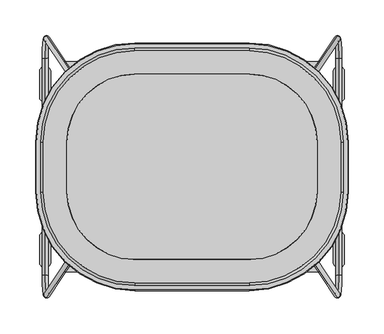
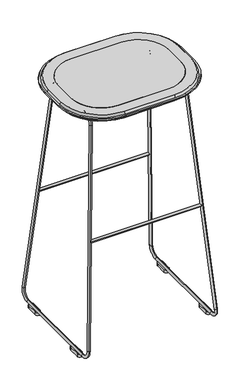
"""IFC4 building model written with IfcOpenShell, lengths in millimetres: furniture geometry."""

from ifc_helpers import new_model, si_unit, point, frame, frame_2d, origin, origin_with_axes, place, context, project, spatial, polyline, circle_curve, ellipse_curve, trimmed, segment, composite_curve, outline, extrude, source, transform, mapped, element, save
from ifc_brep_helpers import plane_surface, cylinder_surface, revolved_surface, advanced_brep


def furniture_3ec42018(model_context):
    return source(origin(), model_context, "Body", "SolidModel", [
        advanced_brep(
        [(-152.2219568, 73.8518427, 767.2896891), (-151.7075535, 73.8518427, 775.2105032), (152.2243044, 73.8518427, 767.2896891), (151.7099011, 73.8518427, 775.2105032)],
        [
            (0, 1, circle_curve(frame((-151.9647551, 73.8518427, 771.2500961), z_axis=(-0.9978978351611841, 0.0, 0.06480671709492986), x_axis=(0.06480671709492986, 0.0, 0.9978978351611841)), 3.96875)),
            (1, 0, circle_curve(frame((-151.9647551, 73.8518427, 771.2500961), z_axis=(-0.9978978351611841, 0.0, 0.06480671709492986), x_axis=(0.06480671709492986, 0.0, 0.9978978351611841)), 3.96875)),
            (2, 3, circle_curve(frame((151.9671028, 73.8518427, 771.2500961), z_axis=(0.9978978351611819, 0.0, 0.06480671709496476), x_axis=(-0.06480671709496476, 0.0, 0.9978978351611819)), 3.96875)),
            (3, 2, circle_curve(frame((151.9671028, 73.8518427, 771.2500961), z_axis=(0.9978978351611819, 0.0, 0.06480671709496476), x_axis=(-0.06480671709496476, 0.0, 0.9978978351611819)), 3.96875)),
            (3, 1, circle_curve(frame((0.0011738, 73.8518427, 3111.2308621), z_axis=(0.0, 1.0, 0.0), x_axis=(-0.06480671709492986, 0.0, -0.9978978351611841)), 2340.9414036)),
            (0, 2, circle_curve(frame((0.0011738, 73.8518427, 3111.2308621), z_axis=(0.0, -1.0, 0.0), x_axis=(-0.06480671709492986, 0.0, -0.9978978351611841)), 2348.8789036)),
        ],
        [
            plane_surface(frame((-152.2223582, 0.0, 767.2835074), z_axis=(-0.9978978351611841, 0.0, 0.06480671709492986), x_axis=(0.0, -1.0, 0.0))),
            plane_surface(frame((152.2247059, 0.0, 767.2835074), z_axis=(0.9978978351611818, 0.0, 0.06480671709496476), x_axis=(0.0, -1.0, 0.0))),
            revolved_surface(trimmed(ellipse_curve(frame((-151.9647551, 73.8518427, 771.2500961), z_axis=(-0.9978978351611841, 0.0, 0.06480671709492986), x_axis=(0.06480671709492986, 0.0, 0.9978978351611841)), 3.96875, 3.96875), [point((-152.2219568, 73.8518427, 767.2896891))], [point((-151.7075535, 73.8518427, 775.2105032))], True, "CARTESIAN"), (0.0011738, 0.0, 3111.2308621), (0.0, -1.0, 0.0)),
            revolved_surface(trimmed(ellipse_curve(frame((-151.9647551, 73.8518427, 771.2500961), z_axis=(-0.9978978351611841, 0.0, 0.06480671709492986), x_axis=(0.06480671709492986, 0.0, 0.9978978351611841)), 3.96875, 3.96875), [point((-151.7075535, 73.8518427, 775.2105032))], [point((-152.2219568, 73.8518427, 767.2896891))], True, "CARTESIAN"), (0.0011738, 0.0, 3111.2308621), (0.0, -1.0, 0.0)),
        ],
        [
            (0, [[1, 2]]),
            (1, [[3, 4]]),
            (2, [[5, -1, 6, -4]]),
            (3, [[-6, -2, -5, -3]]),
        ],
    ),
        advanced_brep(
        [(-152.2219568, -73.8518427, 767.2896891), (-151.7075535, -73.8518427, 775.2105032), (152.2243044, -73.8518427, 767.2896891), (151.7099011, -73.8518427, 775.2105032)],
        [
            (0, 1, circle_curve(frame((-151.9647551, -73.8518427, 771.2500961), z_axis=(-0.9978978351611841, 0.0, 0.06480671709492986), x_axis=(0.06480671709492986, 0.0, 0.9978978351611841)), 3.96875)),
            (1, 0, circle_curve(frame((-151.9647551, -73.8518427, 771.2500961), z_axis=(-0.9978978351611841, 0.0, 0.06480671709492986), x_axis=(0.06480671709492986, 0.0, 0.9978978351611841)), 3.96875)),
            (2, 3, circle_curve(frame((151.9671028, -73.8518427, 771.2500961), z_axis=(0.9978978351611819, 0.0, 0.06480671709496476), x_axis=(-0.06480671709496476, 0.0, 0.9978978351611819)), 3.96875)),
            (3, 2, circle_curve(frame((151.9671028, -73.8518427, 771.2500961), z_axis=(0.9978978351611819, 0.0, 0.06480671709496476), x_axis=(-0.06480671709496476, 0.0, 0.9978978351611819)), 3.96875)),
            (3, 1, circle_curve(frame((0.0011738, -73.8518427, 3111.2308621), z_axis=(0.0, 1.0, 0.0), x_axis=(-0.06480671709492986, 0.0, -0.9978978351611841)), 2340.9414036)),
            (0, 2, circle_curve(frame((0.0011738, -73.8518427, 3111.2308621), z_axis=(0.0, -1.0, 0.0), x_axis=(-0.06480671709492986, 0.0, -0.9978978351611841)), 2348.8789036)),
        ],
        [
            plane_surface(frame((-152.2223582, 0.0, 767.2835074), z_axis=(-0.9978978351611841, 0.0, 0.06480671709492986), x_axis=(0.0, -1.0, 0.0))),
            plane_surface(frame((152.2247059, 0.0, 767.2835074), z_axis=(0.9978978351611818, 0.0, 0.06480671709496476), x_axis=(0.0, -1.0, 0.0))),
            revolved_surface(trimmed(ellipse_curve(frame((-151.9647551, -73.8518427, 771.2500961), z_axis=(-0.9978978351611841, 0.0, 0.06480671709492986), x_axis=(0.06480671709492986, 0.0, 0.9978978351611841)), 3.96875, 3.96875), [point((-152.2219568, -73.8518427, 767.2896891))], [point((-151.7075535, -73.8518427, 775.2105032))], True, "CARTESIAN"), (0.0011738, 0.0, 3111.2308621), (0.0, -1.0, 0.0)),
            revolved_surface(trimmed(ellipse_curve(frame((-151.9647551, -73.8518427, 771.2500961), z_axis=(-0.9978978351611841, 0.0, 0.06480671709492986), x_axis=(0.06480671709492986, 0.0, 0.9978978351611841)), 3.96875, 3.96875), [point((-151.7075535, -73.8518427, 775.2105032))], [point((-152.2219568, -73.8518427, 767.2896891))], True, "CARTESIAN"), (0.0011738, 0.0, 3111.2308621), (0.0, -1.0, 0.0)),
        ],
        [
            (0, [[1, 2]]),
            (1, [[3, 4]]),
            (2, [[5, -1, 6, -4]]),
            (3, [[-6, -2, -5, -3]]),
        ],
    ),
        advanced_brep(
        [(203.260303, -175.4787441, 41.2943989), (205.1160044, -152.1003304, 15.3464097), (205.6999446, -152.1003304, 7.1812623), (203.1981559, -183.618253, 42.1633927), (153.1665218, -108.5468838, 741.7480958), (153.228669, -100.4073749, 740.879102), (151.3252048, -70.715026, 767.4949508), (150.7412646, -70.715026, 775.6600981), (150.7412646, 70.715026, 775.6600981), (151.3252048, 70.715026, 767.4949508), (153.228669, 100.4073749, 740.879102), (153.1665218, 108.5468838, 741.7480958), (203.1981559, 183.618253, 42.1633927), (203.260303, 175.4787441, 41.2943989), (205.1160044, 152.1003304, 15.3464097), (205.6999446, 152.1003304, 7.1812623)],
        [
            (0, 1, circle_curve(frame((203.4388028, -152.1003304, 38.7984626), z_axis=(0.9974524850554426, 0.0, 0.07133400350970177), x_axis=(0.07133400350970177, 0.0, -0.9974524850554426)), 23.5119499)),
            (1, 2, circle_curve(frame((205.4079745, -152.1003304, 11.263836), z_axis=(0.0, -1.0, 0.0), x_axis=(0.07133400350970176, 0.0, -0.9974524850554426)), 4.0930007)),
            (2, 3, circle_curve(frame((203.4388028, -152.1003304, 38.7984626), z_axis=(-0.9974524850554426, 0.0, -0.07133400350970177), x_axis=(0.07133400350970177, 0.0, -0.9974524850554426)), 31.6979512)),
            (3, 0, circle_curve(frame((203.2292294, -179.5484985, 41.7288958), z_axis=(0.07092886182656054, -0.10642720112781383, -0.9917874507272658), x_axis=(-0.0075918783387792215, -0.9943204970531886, 0.1061560762424333)), 4.0930007)),
            (2, 1, circle_curve(frame((205.4079745, -152.1003304, 11.263836), z_axis=(0.0, -1.0, 0.0), x_axis=(0.07133400350970176, 0.0, -0.9974524850554426)), 4.0930007)),
            (0, 3, circle_curve(frame((203.2292294, -179.5484985, 41.7288958), z_axis=(0.07092886182656054, -0.10642720112781427, -0.9917874507272657), x_axis=(-0.007591878338779254, -0.9943204970531885, 0.10615607624243374)), 4.0930007)),
            (3, 4),
            (4, 5, circle_curve(frame((153.1975954, -104.4771293, 741.3135989), z_axis=(0.07092886182656041, -0.1064272011278203, -0.9917874507272652), x_axis=(-0.007591878338779707, -0.9943204970531878, 0.10615607624243974)), 4.0930007)),
            (5, 0),
            (5, 4, circle_curve(frame((153.1975954, -104.4771293, 741.3135989), z_axis=(0.07092886182656041, -0.1064272011278203, -0.9917874507272652), x_axis=(-0.007591878338779707, -0.9943204970531878, 0.10615607624243974)), 4.0930007)),
            (6, 5, circle_curve(frame((153.4553773, -70.715026, 737.7090746), z_axis=(0.9974524850554426, 0.0, 0.07133400350970177), x_axis=(-0.0075918783387791365, -0.9943204970531886, 0.10615607624243231)), 29.8619499)),
            (4, 7, circle_curve(frame((153.4553773, -70.715026, 737.7090746), z_axis=(-0.9974524850554426, 0.0, -0.07133400350970177), x_axis=(-0.0075918783387791365, -0.9943204970531886, 0.10615607624243231)), 38.0479512)),
            (7, 6, circle_curve(frame((151.0332347, -70.715026, 771.5775244), z_axis=(0.0, -1.0, 0.0), x_axis=(-0.07133400350970182, 0.0, 0.9974524850554426)), 4.0930007)),
            (6, 7, circle_curve(frame((151.0332347, -70.715026, 771.5775244), z_axis=(0.0, -1.0, 0.0), x_axis=(-0.07133400350970182, 0.0, 0.9974524850554425)), 4.0930007)),
            (7, 8),
            (8, 9, circle_curve(frame((151.0332347, 70.715026, 771.5775244), z_axis=(0.0, -1.0, 0.0), x_axis=(-0.07133400350970182, 0.0, 0.9974524850554426)), 4.0930007)),
            (9, 6),
            (9, 8, circle_curve(frame((151.0332347, 70.715026, 771.5775244), z_axis=(0.0, -1.0, 0.0), x_axis=(-0.07133400350970182, 0.0, 0.9974524850554426)), 4.0930007)),
            (10, 9, circle_curve(frame((153.4553773, 70.715026, 737.7090746), z_axis=(0.9974524850554426, 0.0, 0.07133400350970177), x_axis=(-0.07133400350970177, 0.0, 0.9974524850554426)), 29.8619499)),
            (8, 11, circle_curve(frame((153.4553773, 70.715026, 737.7090746), z_axis=(-0.9974524850554426, 0.0, -0.07133400350970177), x_axis=(-0.07133400350970177, 0.0, 0.9974524850554426)), 38.0479512)),
            (11, 10, circle_curve(frame((153.1975954, 104.4771293, 741.3135989), z_axis=(-0.07092886182656048, -0.10642720112782901, 0.9917874507272642), x_axis=(-0.007591878338780332, 0.9943204970531869, 0.10615607624244844)), 4.0930007)),
            (10, 11, circle_curve(frame((153.1975954, 104.4771293, 741.3135989), z_axis=(-0.07092886182656048, -0.10642720112782857, 0.9917874507272642), x_axis=(-0.0075918783387803005, 0.9943204970531869, 0.106156076242448)), 4.0930007)),
            (11, 12),
            (12, 13, circle_curve(frame((203.2292294, 179.5484985, 41.7288958), z_axis=(-0.07092886182656048, -0.10642720112782057, 0.991787450727265), x_axis=(-0.007591878338779721, 0.9943204970531878, 0.10615607624244003)), 4.0930007)),
            (13, 10),
            (13, 12, circle_curve(frame((203.2292294, 179.5484985, 41.7288958), z_axis=(-0.07092886182656048, -0.10642720112782057, 0.991787450727265), x_axis=(-0.007591878338779721, 0.9943204970531878, 0.10615607624244003)), 4.0930007)),
            (14, 13, circle_curve(frame((203.4388028, 152.1003304, 38.7984626), z_axis=(0.9974524850554426, 0.0, 0.07133400350970177), x_axis=(-0.007591878338779681, 0.9943204970531878, 0.10615607624243992)), 23.5119499)),
            (12, 15, circle_curve(frame((203.4388028, 152.1003304, 38.7984626), z_axis=(-0.9974524850554426, 0.0, -0.07133400350970177), x_axis=(-0.007591878338779681, 0.9943204970531878, 0.10615607624243992)), 31.6979512)),
            (15, 14, circle_curve(frame((205.4079745, 152.1003304, 11.263836), z_axis=(0.0, 1.0, 0.0), x_axis=(0.07133400350970173, 0.0, -0.9974524850554426)), 4.0930007)),
            (14, 15, circle_curve(frame((205.4079745, 152.1003304, 11.263836), z_axis=(0.0, 1.0, 0.0), x_axis=(0.07133400350970172, 0.0, -0.9974524850554426)), 4.0930007)),
            (15, 2),
            (1, 14),
        ],
        [
            revolved_surface(trimmed(ellipse_curve(frame((205.4079745, -152.1003304, 11.263836), z_axis=(0.0, 1.0, 0.0), x_axis=(0.07133400350970176, 0.0, -0.9974524850554426)), 4.0930007, 4.0930007), [point((205.6999446, -152.1003304, 7.1812623))], [point((205.1160044, -152.1003304, 15.3464097))], True, "CARTESIAN"), (204.0252812, -152.1003304, 38.8404053), (-0.9974524850554426, 0.0, -0.07133400350970177)),
            revolved_surface(trimmed(ellipse_curve(frame((205.4079745, -152.1003304, 11.263836), z_axis=(0.0, 1.0, 0.0), x_axis=(0.07133400350970176, 0.0, -0.9974524850554426)), 4.0930007, 4.0930007), [point((205.1160044, -152.1003304, 15.3464097))], [point((205.6999446, -152.1003304, 7.1812623))], True, "CARTESIAN"), (204.0252812, -152.1003304, 38.8404053), (-0.9974524850554426, 0.0, -0.07133400350970177)),
            cylinder_surface(frame((203.2292294, -179.5484985, 41.7288958), z_axis=(0.07092886182656041, -0.1064272011278203, -0.9917874507272652), x_axis=(-0.007591878338779707, -0.9943204970531878, 0.10615607624243974)), 4.0930007),
            revolved_surface(trimmed(ellipse_curve(frame((153.1975954, -104.4771293, 741.3135989), z_axis=(0.07092886182656052, -0.10642720112781275, -0.9917874507272658), x_axis=(-0.007591878338779174, -0.9943204970531886, 0.10615607624243223)), 4.0930007, 4.0930007), [point((153.1665218, -108.5468838, 741.7480958))], [point((153.228669, -100.4073749, 740.879102))], True, "CARTESIAN"), (154.0418556, -70.715026, 737.7510173), (-0.9974524850554426, 0.0, -0.07133400350970177)),
            revolved_surface(trimmed(ellipse_curve(frame((153.1975954, -104.4771293, 741.3135989), z_axis=(0.07092886182656052, -0.10642720112781275, -0.9917874507272658), x_axis=(-0.007591878338779174, -0.9943204970531886, 0.10615607624243223)), 4.0930007, 4.0930007), [point((153.228669, -100.4073749, 740.879102))], [point((153.1665218, -108.5468838, 741.7480958))], True, "CARTESIAN"), (154.0418556, -70.715026, 737.7510173), (-0.9974524850554426, 0.0, -0.07133400350970177)),
            cylinder_surface(frame((151.0332347, -70.715026, 771.5775244), z_axis=(0.0, -1.0000000000000002, 0.0), x_axis=(-0.07133400350970182, 0.0, 0.9974524850554426)), 4.0930007),
            revolved_surface(trimmed(ellipse_curve(frame((151.0332347, 70.715026, 771.5775244), z_axis=(0.0, -1.0, 0.0), x_axis=(-0.07133400350970182, 0.0, 0.9974524850554426)), 4.0930007, 4.0930007), [point((150.7412646, 70.715026, 775.6600981))], [point((151.3252048, 70.715026, 767.4949508))], True, "CARTESIAN"), (154.0418556, 70.715026, 737.7510173), (-0.9974524850554426, 0.0, -0.07133400350970177)),
            revolved_surface(trimmed(ellipse_curve(frame((151.0332347, 70.715026, 771.5775244), z_axis=(0.0, -1.0, 0.0), x_axis=(-0.07133400350970182, 0.0, 0.9974524850554426)), 4.0930007, 4.0930007), [point((151.3252048, 70.715026, 767.4949508))], [point((150.7412646, 70.715026, 775.6600981))], True, "CARTESIAN"), (154.0418556, 70.715026, 737.7510173), (-0.9974524850554426, 0.0, -0.07133400350970177)),
            cylinder_surface(frame((153.1975954, 104.4771293, 741.3135989), z_axis=(-0.07092886182656048, -0.10642720112782057, 0.991787450727265), x_axis=(-0.007591878338779721, 0.9943204970531878, 0.10615607624244003)), 4.0930007),
            revolved_surface(trimmed(ellipse_curve(frame((203.2292294, 179.5484985, 41.7288958), z_axis=(-0.07092886182656055, -0.1064272011278207, 0.991787450727265), x_axis=(-0.007591878338779734, 0.9943204970531878, 0.10615607624244015)), 4.0930007, 4.0930007), [point((203.1981559, 183.618253, 42.1633927))], [point((203.260303, 175.4787441, 41.2943989))], True, "CARTESIAN"), (204.0252812, 152.1003304, 38.8404053), (-0.9974524850554426, 0.0, -0.07133400350970177)),
            revolved_surface(trimmed(ellipse_curve(frame((203.2292294, 179.5484985, 41.7288958), z_axis=(-0.07092886182656055, -0.1064272011278207, 0.991787450727265), x_axis=(-0.007591878338779734, 0.9943204970531878, 0.10615607624244015)), 4.0930007, 4.0930007), [point((203.260303, 175.4787441, 41.2943989))], [point((203.1981559, 183.618253, 42.1633927))], True, "CARTESIAN"), (204.0252812, 152.1003304, 38.8404053), (-0.9974524850554426, 0.0, -0.07133400350970177)),
            cylinder_surface(frame((205.4079745, 152.1003304, 11.263836), z_axis=(0.0, 1.0, 0.0), x_axis=(0.07133400350970175, 0.0, -0.9974524850554426)), 4.0930007),
        ],
        [
            (0, [[1, 2, 3, 4]]),
            (1, [[-3, 5, -1, 6]]),
            (2, [[-4, 7, 8, 9]]),
            (2, [[-6, -9, 10, -7]]),
            (3, [[11, -8, 12, 13]]),
            (4, [[-12, -10, -11, 14]]),
            (5, [[-13, 15, 16, 17]]),
            (5, [[-14, -17, 18, -15]]),
            (6, [[19, -16, 20, 21]]),
            (7, [[-20, -18, -19, 22]]),
            (8, [[-21, 23, 24, 25]]),
            (8, [[-22, -25, 26, -23]]),
            (9, [[27, -24, 28, 29]]),
            (10, [[-28, -26, -27, 30]]),
            (11, [[-29, 31, -2, 32]]),
            (11, [[-30, -32, -5, -31]]),
        ],
    ),
        advanced_brep(
        [(-203.1981559, -183.618253, 42.1633927), (-205.6999446, -152.1003304, 7.1812623), (-205.1160044, -152.1003304, 15.3464097), (-203.260303, -175.4787441, 41.2943989), (-153.228669, -100.4073749, 740.879102), (-153.1665218, -108.5468838, 741.7480958), (-150.7412646, -70.715026, 775.6600981), (-151.3252048, -70.715026, 767.4949508), (-151.3252048, 70.715026, 767.4949508), (-150.7412646, 70.715026, 775.6600981), (-153.1665218, 108.5468838, 741.7480958), (-153.228669, 100.4073749, 740.879102), (-203.260303, 175.4787441, 41.2943989), (-203.1981559, 183.618253, 42.1633927), (-205.6999446, 152.1003304, 7.1812623), (-205.1160044, 152.1003304, 15.3464097)],
        [
            (0, 1, circle_curve(frame((-203.4388028, -152.1003304, 38.7984626), z_axis=(0.9974524850554426, 0.0, -0.07133400350970177), x_axis=(-0.07133400350970177, 0.0, -0.9974524850554426)), 31.6979512)),
            (1, 2, circle_curve(frame((-205.4079745, -152.1003304, 11.263836), z_axis=(0.0, -1.0, 0.0), x_axis=(-0.0713340035097018, 0.0, -0.9974524850554426)), 4.0930007)),
            (2, 3, circle_curve(frame((-203.4388028, -152.1003304, 38.7984626), z_axis=(-0.9974524850554426, 0.0, 0.07133400350970177), x_axis=(-0.07133400350970177, 0.0, -0.9974524850554426)), 23.5119499)),
            (3, 0, circle_curve(frame((-203.2292294, -179.5484985, 41.7288958), z_axis=(-0.07092886182656054, -0.10642720112781394, -0.9917874507272658), x_axis=(0.007591878338779188, -0.9943204970531886, 0.10615607624243341)), 4.0930007)),
            (2, 1, circle_curve(frame((-205.4079745, -152.1003304, 11.263836), z_axis=(0.0, -1.0, 0.0), x_axis=(-0.0713340035097018, 0.0, -0.9974524850554426)), 4.0930007)),
            (0, 3, circle_curve(frame((-203.2292294, -179.5484985, 41.7288958), z_axis=(-0.07092886182656054, -0.10642720112781372, -0.9917874507272658), x_axis=(0.007591878338779172, -0.9943204970531886, 0.10615607624243319)), 4.0930007)),
            (3, 4),
            (4, 5, circle_curve(frame((-153.1975954, -104.4771293, 741.3135989), z_axis=(-0.07092886182656041, -0.1064272011278204, -0.9917874507272652), x_axis=(0.007591878338779666, -0.9943204970531878, 0.10615607624243985)), 4.0930007)),
            (5, 0),
            (5, 4, circle_curve(frame((-153.1975954, -104.4771293, 741.3135989), z_axis=(-0.07092886182656041, -0.1064272011278204, -0.9917874507272652), x_axis=(0.007591878338779666, -0.9943204970531878, 0.10615607624243985)), 4.0930007)),
            (6, 5, circle_curve(frame((-153.4553773, -70.715026, 737.7090746), z_axis=(0.9974524850554426, 0.0, -0.07133400350970177), x_axis=(0.007591878338779388, -0.9943204970531883, 0.10615607624243582)), 38.0479512)),
            (4, 7, circle_curve(frame((-153.4553773, -70.715026, 737.7090746), z_axis=(-0.9974524850554426, 0.0, 0.07133400350970177), x_axis=(0.007591878338779388, -0.9943204970531883, 0.10615607624243582)), 29.8619499)),
            (7, 6, circle_curve(frame((-151.0332347, -70.715026, 771.5775244), z_axis=(0.0, -1.0, 0.0), x_axis=(0.07133400350970175, 0.0, 0.9974524850554426)), 4.0930007)),
            (6, 7, circle_curve(frame((-151.0332347, -70.715026, 771.5775244), z_axis=(0.0, -1.0, 0.0), x_axis=(0.07133400350970176, 0.0, 0.9974524850554426)), 4.0930007)),
            (7, 8),
            (8, 9, circle_curve(frame((-151.0332347, 70.715026, 771.5775244), z_axis=(0.0, -1.0, 0.0), x_axis=(0.07133400350970175, 0.0, 0.9974524850554426)), 4.0930007)),
            (9, 6),
            (9, 8, circle_curve(frame((-151.0332347, 70.715026, 771.5775244), z_axis=(0.0, -1.0, 0.0), x_axis=(0.07133400350970175, 0.0, 0.9974524850554426)), 4.0930007)),
            (10, 9, circle_curve(frame((-153.4553773, 70.715026, 737.7090746), z_axis=(0.9974524850554426, 0.0, -0.07133400350970177), x_axis=(0.07133400350970177, 0.0, 0.9974524850554426)), 38.0479512)),
            (8, 11, circle_curve(frame((-153.4553773, 70.715026, 737.7090746), z_axis=(-0.9974524850554426, 0.0, 0.07133400350970177), x_axis=(0.07133400350970177, 0.0, 0.9974524850554426)), 29.8619499)),
            (11, 10, circle_curve(frame((-153.1975954, 104.4771293, 741.3135989), z_axis=(0.07092886182656051, -0.10642720112782776, 0.9917874507272643), x_axis=(0.007591878338780174, 0.994320497053187, 0.10615607624244719)), 4.0930007)),
            (10, 11, circle_curve(frame((-153.1975954, 104.4771293, 741.3135989), z_axis=(0.0709288618265605, -0.10642720112782841, 0.9917874507272642), x_axis=(0.00759187833878022, 0.9943204970531869, 0.10615607624244784)), 4.0930007)),
            (11, 12),
            (12, 13, circle_curve(frame((-203.2292294, 179.5484985, 41.7288958), z_axis=(0.07092886182656051, -0.10642720112782042, 0.991787450727265), x_axis=(0.0075918783387796535, 0.9943204970531878, 0.10615607624243988)), 4.0930007)),
            (13, 10),
            (13, 12, circle_curve(frame((-203.2292294, 179.5484985, 41.7288958), z_axis=(0.07092886182656051, -0.10642720112782042, 0.991787450727265), x_axis=(0.0075918783387796535, 0.9943204970531878, 0.10615607624243988)), 4.0930007)),
            (14, 13, circle_curve(frame((-203.4388028, 152.1003304, 38.7984626), z_axis=(0.9974524850554426, 0.0, -0.07133400350970177), x_axis=(0.007591878338779681, 0.9943204970531878, 0.10615607624243992)), 31.6979512)),
            (12, 15, circle_curve(frame((-203.4388028, 152.1003304, 38.7984626), z_axis=(-0.9974524850554426, 0.0, 0.07133400350970177), x_axis=(0.007591878338779681, 0.9943204970531878, 0.10615607624243992)), 23.5119499)),
            (15, 14, circle_curve(frame((-205.4079745, 152.1003304, 11.263836), z_axis=(0.0, 1.0, 0.0), x_axis=(-0.07133400350970179, 0.0, -0.9974524850554426)), 4.0930007)),
            (14, 15, circle_curve(frame((-205.4079745, 152.1003304, 11.263836), z_axis=(0.0, 1.0, 0.0), x_axis=(-0.0713340035097018, 0.0, -0.9974524850554426)), 4.0930007)),
            (15, 2),
            (1, 14),
        ],
        [
            revolved_surface(trimmed(ellipse_curve(frame((-205.4079745, -152.1003304, 11.263836), z_axis=(0.0, 1.0, 0.0), x_axis=(-0.0713340035097018, 0.0, -0.9974524850554426)), 4.0930007, 4.0930007), [point((-205.1160044, -152.1003304, 15.3464097))], [point((-205.6999446, -152.1003304, 7.1812623))], True, "CARTESIAN"), (-204.0252812, -152.1003304, 38.8404053), (-0.9974524850554426, 0.0, 0.07133400350970177)),
            revolved_surface(trimmed(ellipse_curve(frame((-205.4079745, -152.1003304, 11.263836), z_axis=(0.0, 1.0, 0.0), x_axis=(-0.0713340035097018, 0.0, -0.9974524850554426)), 4.0930007, 4.0930007), [point((-205.6999446, -152.1003304, 7.1812623))], [point((-205.1160044, -152.1003304, 15.3464097))], True, "CARTESIAN"), (-204.0252812, -152.1003304, 38.8404053), (-0.9974524850554426, 0.0, 0.07133400350970177)),
            cylinder_surface(frame((-203.2292294, -179.5484985, 41.7288958), z_axis=(-0.07092886182656041, -0.1064272011278204, -0.9917874507272652), x_axis=(0.007591878338779666, -0.9943204970531878, 0.10615607624243985)), 4.0930007),
            revolved_surface(trimmed(ellipse_curve(frame((-153.1975954, -104.4771293, 741.3135989), z_axis=(-0.07092886182656048, -0.10642720112781638, -0.9917874507272655), x_axis=(0.007591878338779381, -0.9943204970531883, 0.10615607624243584)), 4.0930007, 4.0930007), [point((-153.228669, -100.4073749, 740.879102))], [point((-153.1665218, -108.5468838, 741.7480958))], True, "CARTESIAN"), (-154.0418556, -70.715026, 737.7510173), (-0.9974524850554426, 0.0, 0.07133400350970177)),
            revolved_surface(trimmed(ellipse_curve(frame((-153.1975954, -104.4771293, 741.3135989), z_axis=(-0.07092886182656048, -0.10642720112781638, -0.9917874507272655), x_axis=(0.007591878338779381, -0.9943204970531883, 0.10615607624243584)), 4.0930007, 4.0930007), [point((-153.1665218, -108.5468838, 741.7480958))], [point((-153.228669, -100.4073749, 740.879102))], True, "CARTESIAN"), (-154.0418556, -70.715026, 737.7510173), (-0.9974524850554426, 0.0, 0.07133400350970177)),
            cylinder_surface(frame((-151.0332347, -70.715026, 771.5775244), z_axis=(0.0, -1.0000000000000002, 0.0), x_axis=(0.07133400350970175, 0.0, 0.9974524850554426)), 4.0930007),
            revolved_surface(trimmed(ellipse_curve(frame((-151.0332347, 70.715026, 771.5775244), z_axis=(0.0, -1.0, 0.0), x_axis=(0.07133400350970175, 0.0, 0.9974524850554426)), 4.0930007, 4.0930007), [point((-151.3252048, 70.715026, 767.4949508))], [point((-150.7412646, 70.715026, 775.6600981))], True, "CARTESIAN"), (-154.0418556, 70.715026, 737.7510173), (-0.9974524850554426, 0.0, 0.07133400350970177)),
            revolved_surface(trimmed(ellipse_curve(frame((-151.0332347, 70.715026, 771.5775244), z_axis=(0.0, -1.0, 0.0), x_axis=(0.07133400350970175, 0.0, 0.9974524850554426)), 4.0930007, 4.0930007), [point((-150.7412646, 70.715026, 775.6600981))], [point((-151.3252048, 70.715026, 767.4949508))], True, "CARTESIAN"), (-154.0418556, 70.715026, 737.7510173), (-0.9974524850554426, 0.0, 0.07133400350970177)),
            cylinder_surface(frame((-153.1975954, 104.4771293, 741.3135989), z_axis=(0.07092886182656051, -0.10642720112782042, 0.991787450727265), x_axis=(0.0075918783387796535, 0.9943204970531878, 0.10615607624243988)), 4.0930007),
            revolved_surface(trimmed(ellipse_curve(frame((-203.2292294, 179.5484985, 41.7288958), z_axis=(0.07092886182656058, -0.10642720112782049, 0.991787450727265), x_axis=(0.007591878338779663, 0.9943204970531878, 0.10615607624243995)), 4.0930007, 4.0930007), [point((-203.260303, 175.4787441, 41.2943989))], [point((-203.1981559, 183.618253, 42.1633927))], True, "CARTESIAN"), (-204.0252812, 152.1003304, 38.8404053), (-0.9974524850554426, 0.0, 0.07133400350970177)),
            revolved_surface(trimmed(ellipse_curve(frame((-203.2292294, 179.5484985, 41.7288958), z_axis=(0.07092886182656058, -0.10642720112782049, 0.991787450727265), x_axis=(0.007591878338779663, 0.9943204970531878, 0.10615607624243995)), 4.0930007, 4.0930007), [point((-203.1981559, 183.618253, 42.1633927))], [point((-203.260303, 175.4787441, 41.2943989))], True, "CARTESIAN"), (-204.0252812, 152.1003304, 38.8404053), (-0.9974524850554426, 0.0, 0.07133400350970177)),
            cylinder_surface(frame((-205.4079745, 152.1003304, 11.263836), z_axis=(0.0, 1.0, 0.0), x_axis=(-0.07133400350970179, 0.0, -0.9974524850554426)), 4.0930007),
        ],
        [
            (0, [[1, 2, 3, 4]]),
            (1, [[-3, 5, -1, 6]]),
            (2, [[-4, 7, 8, 9]]),
            (2, [[-6, -9, 10, -7]]),
            (3, [[11, -8, 12, 13]]),
            (4, [[-12, -10, -11, 14]]),
            (5, [[-13, 15, 16, 17]]),
            (5, [[-14, -17, 18, -15]]),
            (6, [[19, -16, 20, 21]]),
            (7, [[-20, -18, -19, 22]]),
            (8, [[-21, 23, 24, 25]]),
            (8, [[-22, -25, 26, -23]]),
            (9, [[27, -24, 28, 29]]),
            (10, [[-28, -26, -27, 30]]),
            (11, [[-29, 31, -2, 32]]),
            (11, [[-30, -32, -5, -31]]),
        ],
    ),
        extrude(outline(composite_curve([segment(trimmed(circle_curve(frame_2d((-205.4079654, -98.4608338)), 7.937497), [point((-213.3454624, -98.4608338))], [point((-197.4704684, -98.4608338))], False, "CARTESIAN"), True, "CONTINUOUS"), segment(polyline([(-197.4704684, -98.4608338), (-197.4704684, -133.2109976)]), True, "CONTINUOUS"), segment(trimmed(circle_curve(frame_2d((-205.4079654, -133.2109976)), 7.937497), [point((-197.4704684, -133.2109976))], [point((-213.3454624, -133.2109976))], False, "CARTESIAN"), True, "CONTINUOUS"), segment(polyline([(-213.3454624, -133.2109976), (-213.3454624, -98.4608338)]), True, "CONTINUOUS")], self_intersect=False)), origin_with_axes(), (0.0, 0.0, 1.0), 9.5254122),
        extrude(outline(composite_curve([segment(polyline([(-213.3454624, 98.4608338), (-213.3454624, 133.2109976)]), True, "CONTINUOUS"), segment(trimmed(circle_curve(frame_2d((-205.4079654, 133.2109976)), 7.937497), [point((-213.3454624, 133.2109976))], [point((-197.4704684, 133.2109976))], False, "CARTESIAN"), True, "CONTINUOUS"), segment(polyline([(-197.4704684, 133.2109976), (-197.4704684, 98.4608338)]), True, "CONTINUOUS"), segment(trimmed(circle_curve(frame_2d((-205.4079654, 98.4608338)), 7.937497), [point((-197.4704684, 98.4608338))], [point((-213.3454624, 98.4608338))], False, "CARTESIAN"), True, "CONTINUOUS")], self_intersect=False)), origin_with_axes(), (0.0, 0.0, 1.0), 9.5254122),
        extrude(outline(composite_curve([segment(polyline([(213.3454624, -98.4608338), (213.3454624, -133.2109976)]), True, "CONTINUOUS"), segment(trimmed(circle_curve(frame_2d((205.4079654, -133.2109976)), 7.937497), [point((213.3454624, -133.2109976))], [point((197.4704684, -133.2109976))], False, "CARTESIAN"), True, "CONTINUOUS"), segment(polyline([(197.4704684, -133.2109976), (197.4704684, -98.4608338)]), True, "CONTINUOUS"), segment(trimmed(circle_curve(frame_2d((205.4079654, -98.4608338)), 7.937497), [point((197.4704684, -98.4608338))], [point((213.3454624, -98.4608338))], False, "CARTESIAN"), True, "CONTINUOUS")], self_intersect=False)), origin_with_axes(), (0.0, 0.0, 1.0), 9.5254122),
        extrude(outline(composite_curve([segment(trimmed(circle_curve(frame_2d((205.4079654, 98.4608338)), 7.937497), [point((213.3454624, 98.4608338))], [point((197.4704684, 98.4608338))], False, "CARTESIAN"), True, "CONTINUOUS"), segment(polyline([(197.4704684, 98.4608338), (197.4704684, 133.2109976)]), True, "CONTINUOUS"), segment(trimmed(circle_curve(frame_2d((205.4079654, 133.2109976)), 7.937497), [point((197.4704684, 133.2109976))], [point((213.3454624, 133.2109976))], False, "CARTESIAN"), True, "CONTINUOUS"), segment(polyline([(213.3454624, 133.2109976), (213.3454624, 98.4608338)]), True, "CONTINUOUS")], self_intersect=False)), origin_with_axes(), (0.0, 0.0, 1.0), 9.5254122),
        extrude(outline(composite_curve([segment(trimmed(circle_curve(frame_2d((-143.301265, 380.5816105)), 3.96875), [point((-147.270015, 380.5816105))], [point((-139.332515, 380.5816105))], False, "CARTESIAN"), True, "CONTINUOUS"), segment(trimmed(circle_curve(frame_2d((-143.301265, 380.5816105)), 3.96875), [point((-139.332515, 380.5816105))], [point((-147.270015, 380.5816105))], False, "CARTESIAN"), True, "CONTINUOUS")], self_intersect=False)), frame((-177.8, 0.0, 0.0), z_axis=(1.0, 0.0, 0.0), x_axis=(0.0, 1.0, 0.0)), (0.0, 0.0, 1.0), 355.6),
        extrude(outline(composite_curve([segment(trimmed(circle_curve(frame_2d((143.301265, 380.5816105)), 3.96875), [point((147.270015, 380.5816105))], [point((139.332515, 380.5816105))], False, "CARTESIAN"), True, "CONTINUOUS"), segment(trimmed(circle_curve(frame_2d((143.301265, 380.5816105)), 3.96875), [point((139.332515, 380.5816105))], [point((147.270015, 380.5816105))], False, "CARTESIAN"), True, "CONTINUOUS")], self_intersect=False)), frame((-177.8, 0.0, 0.0), z_axis=(1.0, 0.0, 0.0), x_axis=(0.0, 1.0, 0.0)), (0.0, 0.0, 1.0), 355.6),
        advanced_brep(
        [(-175.021491, -34.925, 798.2493229), (-80.1154768, -129.8310142, 798.2493229), (80.1154768, -129.8310142, 798.2493229), (175.021491, -34.925, 798.2493229), (175.021491, 34.925, 798.2493229), (80.1154768, 129.8310142, 798.2493229), (-80.1154768, 129.8310142, 798.2493229), (-175.021491, 34.925, 798.2493229), (-178.5135382, -34.925, 774.7250418), (-178.5135382, 34.925, 774.7250418), (-80.1154768, 133.3230614, 774.7250418), (80.1154768, 133.3230614, 774.7250418), (178.5135382, 34.925, 774.7250418), (178.5135382, -34.925, 774.7250418), (80.1154768, -133.3230614, 774.7250418), (-80.1154768, -133.3230614, 774.7250418)],
        [
            (0, 1, circle_curve(frame((-80.1154768, -34.925, 798.2493229), z_axis=(0.0, 0.0, 1.0), x_axis=(-1.0000000000000002, 0.0, 0.0)), 94.9060142)),
            (1, 2),
            (2, 3, circle_curve(frame((80.1154768, -34.925, 798.2493229), z_axis=(0.0, 0.0, 1.0), x_axis=(0.0, -1.0000000000000002, 0.0)), 94.9060142)),
            (3, 4),
            (4, 5, circle_curve(frame((80.1154768, 34.925, 798.2493229), z_axis=(0.0, 0.0, 1.0), x_axis=(1.0000000000000002, 0.0, 0.0)), 94.9060142)),
            (5, 6),
            (6, 7, circle_curve(frame((-80.1154768, 34.925, 798.2493229), z_axis=(0.0, 0.0, 1.0), x_axis=(0.0, 1.0000000000000002, 0.0)), 94.9060142)),
            (7, 0),
            (8, 9),
            (9, 10, circle_curve(frame((-80.1154768, 34.925, 774.7250418), z_axis=(0.0, 0.0, -1.0), x_axis=(0.0, 1.0000000000000002, 0.0)), 98.3980614)),
            (10, 11),
            (11, 12, circle_curve(frame((80.1154768, 34.925, 774.7250418), z_axis=(0.0, 0.0, -1.0), x_axis=(1.0000000000000002, 0.0, 0.0)), 98.3980614)),
            (12, 13),
            (13, 14, circle_curve(frame((80.1154768, -34.925, 774.7250418), z_axis=(0.0, 0.0, -1.0), x_axis=(0.0, -1.0000000000000002, 0.0)), 98.3980614)),
            (14, 15),
            (15, 8, circle_curve(frame((-80.1154768, -34.925, 774.7250418), z_axis=(0.0, 0.0, -1.0), x_axis=(-1.0000000000000002, 0.0, 0.0)), 98.3980614)),
            (15, 1),
            (0, 8),
            (14, 2),
            (13, 3),
            (12, 4),
            (11, 5),
            (10, 6),
            (9, 7),
        ],
        [
            plane_surface(frame((0.0, 0.0, 798.2493229), z_axis=(0.0, 0.0, 1.0), x_axis=(0.0, 1.0, 0.0))),
            plane_surface(frame((0.0, 0.0, 774.7250418), z_axis=(0.0, 0.0, -1.0), x_axis=(0.0, 1.0, 0.0))),
            revolved_surface(polyline([(-175.0214909970936, -34.925, 798.2493229), (-178.5135382, -34.925, 774.7250418)]), (-80.1154768, -34.925, 1437.5865444), (0.0, 0.0, -1.0)),
            plane_surface(frame((0.0, -133.3230614, 774.7250418), z_axis=(0.0, -0.9891609433288521, 0.14683537786506212), x_axis=(1.0, 0.0, 0.0))),
            revolved_surface(polyline([(80.1154768, -129.8310141970936, 798.2493229), (80.1154768, -133.3230614, 774.7250418)]), (80.1154768, -34.925, 1437.5865444), (0.0, 0.0, -1.0)),
            plane_surface(frame((178.5135382, 0.0, 774.7250418), z_axis=(0.9891609433288486, 0.0, 0.14683537786508508), x_axis=(0.0, 1.0, 0.0))),
            revolved_surface(polyline([(175.0214909970936, 34.925, 798.2493229), (178.5135382, 34.925, 774.7250418)]), (80.1154768, 34.925, 1437.5865444), (0.0, 0.0, -1.0)),
            plane_surface(frame((0.0, 133.3230614, 774.7250418), z_axis=(0.0, 0.989160943328852, 0.1468353778650628), x_axis=(-1.0, 0.0, 0.0))),
            revolved_surface(polyline([(-80.1154768, 129.8310141970936, 798.2493229), (-80.1154768, 133.3230614, 774.7250418)]), (-80.1154768, 34.925, 1437.5865444), (0.0, 0.0, -1.0)),
            plane_surface(frame((-178.5135382, 0.0, 774.7250418), z_axis=(-0.9891609433288486, 0.0, 0.14683537786508508), x_axis=(0.0, -1.0, 0.0))),
        ],
        [
            (0, [[1, 2, 3, 4, 5, 6, 7, 8]]),
            (1, [[9, 10, 11, 12, 13, 14, 15, 16]]),
            (2, [[-16, 17, -1, 18]]),
            (3, [[-15, 19, -2, -17]]),
            (4, [[-14, 20, -3, -19]]),
            (5, [[-13, 21, -4, -20]]),
            (6, [[-12, 22, -5, -21]]),
            (7, [[-11, 23, -6, -22]]),
            (8, [[-10, 24, -7, -23]]),
            (9, [[-9, -18, -8, -24]]),
        ],
    ),
        advanced_brep(
        [(80.1154768, 129.8310142, 798.2493229), (-80.1154768, 129.8310142, 798.2493229), (-80.1154768, 133.3230614, 774.7250418), (80.1154768, 133.3230614, 774.7250418), (-80.1154768, -162.6409798, 798.2493229), (80.1154768, -162.6409798, 798.2493229), (207.8314566, -34.925, 798.2493229), (207.8314566, 34.925, 798.2493229), (80.1154768, 162.6409798, 798.2493229), (-80.1154768, 162.6409798, 798.2493229), (-207.8314566, 34.925, 798.2493229), (-207.8314566, -34.925, 798.2493229), (175.021491, 34.925, 798.2493229), (175.021491, -34.925, 798.2493229), (80.1154768, -129.8310142, 798.2493229), (-80.1154768, -129.8310142, 798.2493229), (-175.021491, -34.925, 798.2493229), (-175.021491, 34.925, 798.2493229), (80.1154768, 166.2791169, 790.4473126), (-80.1154768, 166.2791169, 790.4473126), (-80.1154768, -172.6291169, 790.4473126), (80.1154768, -172.6291169, 790.4473126), (217.8195937, -34.925, 790.4473126), (217.8195937, 34.925, 790.4473126), (80.1154768, 172.6291169, 790.4473126), (-80.1154768, 172.6291169, 790.4473126), (-217.8195937, 34.925, 790.4473126), (-217.8195937, -34.925, 790.4473126), (211.4695937, 34.925, 790.4473126), (211.4695937, -34.925, 790.4473126), (80.1154768, -166.2791169, 790.4473126), (-80.1154768, -166.2791169, 790.4473126), (-211.4695937, -34.925, 790.4473126), (-211.4695937, 34.925, 790.4473126), (80.1154768, 173.4175169, 787.5049637), (-80.1154768, 173.4175169, 787.5049637), (218.6079938, 34.925, 787.5049637), (218.6079938, -34.925, 787.5049637), (80.1154768, -173.4175169, 787.5049637), (-80.1154768, -173.4175169, 787.5049637), (-218.6079938, -34.925, 787.5049637), (-218.6079938, 34.925, 787.5049637), (-80.1154768, -167.0675169, 787.5049637), (80.1154768, -167.0675169, 787.5049637), (212.2579938, -34.925, 787.5049637), (212.2579938, 34.925, 787.5049637), (80.1154768, 167.0675169, 787.5049637), (-80.1154768, 167.0675169, 787.5049637), (-212.2579938, 34.925, 787.5049637), (-212.2579938, -34.925, 787.5049637), (80.1154768, 163.4840689, 777.6595211), (-80.1154768, 163.4840689, 777.6595211), (178.5135382, 34.925, 774.7250418), (208.6745457, 34.925, 777.6595211), (178.5135382, -34.925, 774.7250418), (208.6745457, -34.925, 777.6595211), (-178.5135382, 34.925, 774.7250418), (-208.6745457, 34.925, 777.6595211), (-178.5135382, -34.925, 774.7250418), (-208.6745457, -34.925, 777.6595211), (-80.1154768, -133.3230614, 774.7250418), (-80.1154768, -163.4840689, 777.6595211), (80.1154768, -133.3230614, 774.7250418), (80.1154768, -163.4840689, 777.6595211)],
        [
            (0, 1),
            (1, 2),
            (2, 3),
            (3, 0),
            (4, 5),
            (5, 6, circle_curve(frame((80.1154768, -34.925, 798.2493229), z_axis=(0.0, 0.0, 1.0), x_axis=(1.0000000000000002, 0.0, 0.0)), 127.7159798)),
            (6, 7),
            (7, 8, circle_curve(frame((80.1154768, 34.925, 798.2493229), z_axis=(0.0, 0.0, 1.0), x_axis=(1.0000000000000002, 0.0, 0.0)), 127.7159798)),
            (8, 9),
            (9, 10, circle_curve(frame((-80.1154768, 34.925, 798.2493229), z_axis=(0.0, 0.0, 1.0), x_axis=(-1.0000000000000002, 0.0, 0.0)), 127.7159798)),
            (10, 11),
            (11, 4, circle_curve(frame((-80.1154768, -34.925, 798.2493229), z_axis=(0.0, 0.0, 1.0), x_axis=(-1.0000000000000002, 0.0, 0.0)), 127.7159798)),
            (0, 12, circle_curve(frame((80.1154768, 34.925, 798.2493229), z_axis=(0.0, 0.0, -1.0), x_axis=(1.0000000000000002, 0.0, 0.0)), 94.9060142)),
            (12, 13),
            (13, 14, circle_curve(frame((80.1154768, -34.925, 798.2493229), z_axis=(0.0, 0.0, -1.0), x_axis=(1.0000000000000002, 0.0, 0.0)), 94.9060142)),
            (14, 15),
            (15, 16, circle_curve(frame((-80.1154768, -34.925, 798.2493229), z_axis=(0.0, 0.0, -1.0), x_axis=(-1.0000000000000002, 0.0, 0.0)), 94.9060142)),
            (16, 17),
            (17, 1, circle_curve(frame((-80.1154768, 34.925, 798.2493229), z_axis=(0.0, 0.0, -1.0), x_axis=(-1.0000000000000002, 0.0, 0.0)), 94.9060142)),
            (8, 18, circle_curve(frame((80.1154768, 153.8392427, 789.3957548), z_axis=(-1.0, 0.0, 0.0), x_axis=(0.0, 1.0000000000000002, 0.0)), 12.4842398)),
            (18, 19),
            (19, 9, circle_curve(frame((-80.1154768, 153.8392427, 789.3957548), z_axis=(1.0, 0.0, 0.0), x_axis=(0.0, 1.0000000000000002, 0.0)), 12.4842398)),
            (20, 21),
            (21, 22, circle_curve(frame((80.1154768, -34.925, 790.4473126), z_axis=(0.0, 0.0, 1.0), x_axis=(1.0000000000000002, 0.0, 0.0)), 137.7041169)),
            (22, 23),
            (23, 24, circle_curve(frame((80.1154768, 34.925, 790.4473126), z_axis=(0.0, 0.0, 1.0), x_axis=(1.0000000000000002, 0.0, 0.0)), 137.7041169)),
            (24, 25),
            (25, 26, circle_curve(frame((-80.1154768, 34.925, 790.4473126), z_axis=(0.0, 0.0, 1.0), x_axis=(-1.0000000000000002, 0.0, 0.0)), 137.7041169)),
            (26, 27),
            (27, 20, circle_curve(frame((-80.1154768, -34.925, 790.4473126), z_axis=(0.0, 0.0, 1.0), x_axis=(-1.0000000000000002, 0.0, 0.0)), 137.7041169)),
            (18, 28, circle_curve(frame((80.1154768, 34.925, 790.4473126), z_axis=(0.0, 0.0, -1.0), x_axis=(1.0000000000000002, 0.0, 0.0)), 131.3541169)),
            (28, 29),
            (29, 30, circle_curve(frame((80.1154768, -34.925, 790.4473126), z_axis=(0.0, 0.0, -1.0), x_axis=(1.0000000000000002, 0.0, 0.0)), 131.3541169)),
            (30, 31),
            (31, 32, circle_curve(frame((-80.1154768, -34.925, 790.4473126), z_axis=(0.0, 0.0, -1.0), x_axis=(-1.0000000000000002, 0.0, 0.0)), 131.3541169)),
            (32, 33),
            (33, 19, circle_curve(frame((-80.1154768, 34.925, 790.4473126), z_axis=(0.0, 0.0, -1.0), x_axis=(-1.0000000000000002, 0.0, 0.0)), 131.3541169)),
            (24, 34),
            (34, 35),
            (35, 25),
            (34, 36, circle_curve(frame((80.1154768, 34.925, 787.5049637), z_axis=(0.0, 0.0, -1.0), x_axis=(1.0000000000000002, 0.0, 0.0)), 138.4925169)),
            (36, 37),
            (37, 38, circle_curve(frame((80.1154768, -34.925, 787.5049637), z_axis=(0.0, 0.0, -1.0), x_axis=(1.0000000000000002, 0.0, 0.0)), 138.4925169)),
            (38, 39),
            (39, 40, circle_curve(frame((-80.1154768, -34.925, 787.5049637), z_axis=(0.0, 0.0, -1.0), x_axis=(-1.0000000000000002, 0.0, 0.0)), 138.4925169)),
            (40, 41),
            (41, 35, circle_curve(frame((-80.1154768, 34.925, 787.5049637), z_axis=(0.0, 0.0, -1.0), x_axis=(-1.0000000000000002, 0.0, 0.0)), 138.4925169)),
            (42, 43),
            (43, 44, circle_curve(frame((80.1154768, -34.925, 787.5049637), z_axis=(0.0, 0.0, 1.0), x_axis=(1.0000000000000002, 0.0, 0.0)), 132.1425169)),
            (44, 45),
            (45, 46, circle_curve(frame((80.1154768, 34.925, 787.5049637), z_axis=(0.0, 0.0, 1.0), x_axis=(1.0000000000000002, 0.0, 0.0)), 132.1425169)),
            (46, 47),
            (47, 48, circle_curve(frame((-80.1154768, 34.925, 787.5049637), z_axis=(0.0, 0.0, 1.0), x_axis=(-1.0000000000000002, 0.0, 0.0)), 132.1425169)),
            (48, 49),
            (49, 42, circle_curve(frame((-80.1154768, -34.925, 787.5049637), z_axis=(0.0, 0.0, 1.0), x_axis=(-1.0000000000000002, 0.0, 0.0)), 132.1425169)),
            (46, 50, circle_curve(frame((80.1154768, 148.476041, 788.696852), z_axis=(-1.0, 0.0, 0.0), x_axis=(0.0, 1.0000000000000002, 0.0)), 18.6296423)),
            (50, 51),
            (51, 47, circle_curve(frame((-80.1154768, 148.476041, 788.696852), z_axis=(1.0, 0.0, 0.0), x_axis=(0.0, 1.0000000000000002, 0.0)), 18.6296423)),
            (2, 51),
            (50, 3),
            (3, 52, circle_curve(frame((80.1154768, 34.925, 774.7250418), z_axis=(0.0, 0.0, -1.0), x_axis=(1.0000000000000002, 0.0, 0.0)), 98.3980614)),
            (52, 12),
            (50, 53, circle_curve(frame((80.1154768, 34.925, 777.6595211), z_axis=(0.0, 0.0, -1.0), x_axis=(1.0000000000000002, 0.0, 0.0)), 128.5590689)),
            (53, 52),
            (45, 53, circle_curve(frame((193.6665179, 34.925, 788.696852), z_axis=(0.0, 1.0000000000000002, 0.0), x_axis=(0.0, 0.0, 1.0)), 18.6296423)),
            (23, 36),
            (7, 28, circle_curve(frame((199.0297195, 34.925, 789.3957548), z_axis=(0.0, 1.0000000000000002, 0.0), x_axis=(0.0, 0.0, 1.0)), 12.4842398)),
            (52, 54),
            (54, 13),
            (53, 55),
            (55, 54),
            (44, 55, circle_curve(frame((193.6665179, -34.925, 788.696852), z_axis=(0.0, 1.0, 0.0), x_axis=(0.0, 0.0, 1.0)), 18.6296423)),
            (22, 37),
            (6, 29, circle_curve(frame((199.0297195, -34.925, 789.3957548), z_axis=(0.0, 1.0, 0.0), x_axis=(0.0, 0.0, 1.0)), 12.4842398)),
            (17, 56),
            (56, 2, circle_curve(frame((-80.1154768, 34.925, 774.7250418), z_axis=(0.0, 0.0, -1.0), x_axis=(-1.0000000000000002, 0.0, 0.0)), 98.3980614)),
            (56, 57),
            (57, 51, circle_curve(frame((-80.1154768, 34.925, 777.6595211), z_axis=(0.0, 0.0, -1.0), x_axis=(-1.0000000000000002, 0.0, 0.0)), 128.5590689)),
            (57, 48, circle_curve(frame((-193.6665179, 34.925, 788.696852), z_axis=(0.0, 1.0000000000000002, 0.0), x_axis=(0.0, 0.0, 1.0)), 18.6296423)),
            (41, 26),
            (33, 10, circle_curve(frame((-199.0297195, 34.925, 789.3957548), z_axis=(0.0, 1.0000000000000002, 0.0), x_axis=(0.0, 0.0, 1.0)), 12.4842398)),
            (58, 56),
            (16, 58),
            (58, 59),
            (59, 57),
            (59, 49, circle_curve(frame((-193.6665179, -34.925, 788.696852), z_axis=(0.0, 1.0, 0.0), x_axis=(0.0, 0.0, 1.0)), 18.6296423)),
            (40, 27),
            (32, 11, circle_curve(frame((-199.0297195, -34.925, 789.3957548), z_axis=(0.0, 1.0, 0.0), x_axis=(0.0, 0.0, 1.0)), 12.4842398)),
            (60, 58, circle_curve(frame((-80.1154768, -34.925, 774.7250418), z_axis=(0.0, 0.0, -1.0), x_axis=(-1.0000000000000002, 0.0, 0.0)), 98.3980614)),
            (15, 60),
            (60, 61),
            (61, 59, circle_curve(frame((-80.1154768, -34.925, 777.6595211), z_axis=(0.0, 0.0, -1.0), x_axis=(-1.0000000000000002, 0.0, 0.0)), 128.5590689)),
            (61, 42, circle_curve(frame((-80.1154768, -148.476041, 788.696852), z_axis=(-1.0000000000000002, 0.0, 0.0), x_axis=(0.0, 0.0, 1.0)), 18.6296423)),
            (39, 20),
            (31, 4, circle_curve(frame((-80.1154768, -153.8392427, 789.3957548), z_axis=(-1.0000000000000002, 0.0, 0.0), x_axis=(0.0, 0.0, 1.0)), 12.4842398)),
            (62, 60),
            (14, 62),
            (30, 5, circle_curve(frame((80.1154768, -153.8392427, 789.3957548), z_axis=(-1.0, 0.0, 0.0), x_axis=(0.0, -1.0000000000000002, 0.0)), 12.4842398)),
            (38, 21),
            (61, 63),
            (63, 43, circle_curve(frame((80.1154768, -148.476041, 788.696852), z_axis=(-1.0, 0.0, 0.0), x_axis=(0.0, -1.0000000000000002, 0.0)), 18.6296423)),
            (62, 63),
            (54, 62, circle_curve(frame((80.1154768, -34.925, 774.7250418), z_axis=(0.0, 0.0, -1.0), x_axis=(1.0000000000000002, 0.0, 0.0)), 98.3980614)),
            (55, 63, circle_curve(frame((80.1154768, -34.925, 777.6595211), z_axis=(0.0, 0.0, -1.0), x_axis=(1.0000000000000002, 0.0, 0.0)), 128.5590689)),
        ],
        [
            plane_surface(frame((80.1154768, 129.8310142, 798.2493229), z_axis=(0.0, -0.9891609433288518, -0.14683537786506368), x_axis=(-1.0, 0.0, 0.0))),
            plane_surface(frame((80.1154768, 162.6409798, 798.2493229), z_axis=(0.0, 0.0, 1.0), x_axis=(-1.0, 0.0, 0.0))),
            cylinder_surface(frame((-80.1154768, 153.8392427, 789.3957548), z_axis=(1.0000000000000002, 0.0, 0.0), x_axis=(0.0, 1.0000000000000002, 0.0)), 12.4842398),
            plane_surface(frame((80.1154768, 172.6291169, 790.4473126), z_axis=(0.0, 0.0, 1.0), x_axis=(-1.0, 0.0, 0.0))),
            plane_surface(frame((80.1154768, 173.4175169, 787.5049637), z_axis=(0.0, 0.9659258262890752, 0.2588190451024952), x_axis=(-1.0, 0.0, 0.0))),
            plane_surface(frame((80.1154768, 167.0675169, 787.5049637), z_axis=(0.0, 0.0, -1.0), x_axis=(-1.0, 0.0, 0.0))),
            cylinder_surface(frame((-80.1154768, 148.476041, 788.696852), z_axis=(1.0000000000000002, 0.0, 0.0), x_axis=(0.0, 1.0000000000000002, 0.0)), 18.6296423),
            plane_surface(frame((80.1154768, 133.3230614, 774.7250418), z_axis=(0.0, 0.09683655773188508, -0.9953002969388883), x_axis=(-1.0, 0.0, 0.0))),
            revolved_surface(polyline([(175.021491, 34.925, 798.2493229), (178.5135382, 34.925, 774.7250418)]), (80.1154768, 34.925, 910.7074778), (0.0, 0.0, 1.0)),
            revolved_surface(polyline([(178.5135382, 34.925, 774.7250418), (208.6745457, 34.925, 777.6595211)]), (80.1154768, 34.925, 910.7074778), (0.0, 0.0, 1.0)),
            revolved_surface(trimmed(ellipse_curve(frame((193.6665179, 34.925, 788.696852), z_axis=(0.0, -1.0000000000000002, 0.0), x_axis=(0.0, 0.0, 1.0)), 18.6296423, 18.6296423), [point((208.6745457, 34.925, 777.6595211))], [point((212.2579938, 34.925, 787.5049637))], True, "CARTESIAN"), (80.1154768, 34.925, 910.7074778), (0.0, 0.0, 1.0)),
            revolved_surface(polyline([(218.6079938, 34.925, 787.5049637), (217.8195937, 34.925, 790.4473126)]), (80.1154768, 34.925, 910.7074778), (0.0, 0.0, 1.0)),
            revolved_surface(trimmed(ellipse_curve(frame((199.0297195, 34.925, 789.3957548), z_axis=(0.0, -1.0000000000000002, 0.0), x_axis=(0.0, 0.0, 1.0)), 12.4842398, 12.4842398), [point((211.4695937, 34.925, 790.4473126))], [point((207.8314566, 34.925, 798.2493229))], True, "CARTESIAN"), (80.1154768, 34.925, 910.7074778), (0.0, 0.0, 1.0)),
            plane_surface(frame((175.021491, -34.925, 798.2493229), z_axis=(-0.9891609433288492, 0.0, -0.14683537786508166), x_axis=(0.0, 1.0, 0.0))),
            plane_surface(frame((178.5135382, -34.925, 774.7250418), z_axis=(0.09683655773190229, 0.0, -0.9953002969388867), x_axis=(0.0, 1.0, 0.0))),
            cylinder_surface(frame((193.6665179, 34.925, 788.696852), z_axis=(0.0, -1.0000000000000002, 0.0), x_axis=(0.0, 0.0, 1.0)), 18.6296423),
            plane_surface(frame((218.6079938, -34.925, 787.5049637), z_axis=(0.9659258262890694, 0.0, 0.2588190451025166), x_axis=(0.0, 1.0, 0.0))),
            cylinder_surface(frame((199.0297195, 34.925, 789.3957548), z_axis=(0.0, -1.0000000000000002, 0.0), x_axis=(0.0, 0.0, 1.0)), 12.4842398),
            revolved_surface(polyline([(-178.5135382, 34.925, 774.7250418), (-175.021491, 34.925, 798.2493229)]), (-80.1154768, 34.925, 910.7074778), (0.0, 0.0, -1.0)),
            revolved_surface(polyline([(-208.6745457, 34.925, 777.6595211), (-178.5135382, 34.925, 774.7250418)]), (-80.1154768, 34.925, 910.7074778), (0.0, 0.0, -1.0)),
            revolved_surface(trimmed(ellipse_curve(frame((-193.6665179, 34.925, 788.696852), z_axis=(0.0, -1.0000000000000002, 0.0), x_axis=(0.0, 0.0, 1.0)), 18.6296423, 18.6296423), [point((-212.2579938, 34.925, 787.5049637))], [point((-208.6745457, 34.925, 777.6595211))], True, "CARTESIAN"), (-80.1154768, 34.925, 910.7074778), (0.0, 0.0, -1.0)),
            revolved_surface(polyline([(-217.8195937, 34.925, 790.4473126), (-218.6079938, 34.925, 787.5049637)]), (-80.1154768, 34.925, 910.7074778), (0.0, 0.0, -1.0)),
            revolved_surface(trimmed(ellipse_curve(frame((-199.0297195, 34.925, 789.3957548), z_axis=(0.0, -1.0000000000000002, 0.0), x_axis=(0.0, 0.0, 1.0)), 12.4842398, 12.4842398), [point((-207.8314566, 34.925, 798.2493229))], [point((-211.4695937, 34.925, 790.4473126))], True, "CARTESIAN"), (-80.1154768, 34.925, 910.7074778), (0.0, 0.0, -1.0)),
            plane_surface(frame((-178.5135382, -34.925, 774.7250418), z_axis=(0.9891609433288492, 0.0, -0.14683537786508166), x_axis=(0.0, 1.0, 0.0))),
            plane_surface(frame((-208.6745457, -34.925, 777.6595211), z_axis=(-0.09683655773190229, 0.0, -0.9953002969388867), x_axis=(0.0, 1.0, 0.0))),
            cylinder_surface(frame((-193.6665179, 34.925, 788.696852), z_axis=(0.0, -1.0000000000000002, 0.0), x_axis=(0.0, 0.0, 1.0)), 18.6296423),
            plane_surface(frame((-217.8195937, -34.925, 790.4473126), z_axis=(-0.9659258262890694, 0.0, 0.2588190451025166), x_axis=(0.0, 1.0, 0.0))),
            cylinder_surface(frame((-199.0297195, 34.925, 789.3957548), z_axis=(0.0, -1.0000000000000002, 0.0), x_axis=(0.0, 0.0, 1.0)), 12.4842398),
            revolved_surface(polyline([(-175.021491, -34.925, 798.2493229), (-178.5135382, -34.925, 774.7250418)]), (-80.1154768, -34.925, 910.7074778), (0.0, 0.0, 1.0)),
            revolved_surface(polyline([(-178.5135382, -34.925, 774.7250418), (-208.6745457, -34.925, 777.6595211)]), (-80.1154768, -34.925, 910.7074778), (0.0, 0.0, 1.0)),
            revolved_surface(trimmed(ellipse_curve(frame((-193.6665179, -34.925, 788.696852), z_axis=(0.0, 1.0000000000000002, 0.0), x_axis=(0.0, 0.0, 1.0)), 18.6296423, 18.6296423), [point((-208.6745457, -34.925, 777.6595211))], [point((-212.2579938, -34.925, 787.5049637))], True, "CARTESIAN"), (-80.1154768, -34.925, 910.7074778), (0.0, 0.0, 1.0)),
            revolved_surface(polyline([(-218.6079938, -34.925, 787.5049637), (-217.8195937, -34.925, 790.4473126)]), (-80.1154768, -34.925, 910.7074778), (0.0, 0.0, 1.0)),
            revolved_surface(trimmed(ellipse_curve(frame((-199.0297195, -34.925, 789.3957548), z_axis=(0.0, 1.0000000000000002, 0.0), x_axis=(0.0, 0.0, 1.0)), 12.4842398, 12.4842398), [point((-211.4695937, -34.925, 790.4473126))], [point((-207.8314566, -34.925, 798.2493229))], True, "CARTESIAN"), (-80.1154768, -34.925, 910.7074778), (0.0, 0.0, 1.0)),
            plane_surface(frame((80.1154768, -133.3230614, 774.7250418), z_axis=(0.0, 0.9891609433288518, -0.14683537786506368), x_axis=(-1.0, 0.0, 0.0))),
            cylinder_surface(frame((-80.1154768, -153.8392427, 789.3957548), z_axis=(1.0000000000000002, 0.0, 0.0), x_axis=(0.0, -1.0000000000000002, 0.0)), 12.4842398),
            plane_surface(frame((80.1154768, -172.6291169, 790.4473126), z_axis=(0.0, -0.9659258262890752, 0.2588190451024952), x_axis=(-1.0, 0.0, 0.0))),
            cylinder_surface(frame((-80.1154768, -148.476041, 788.696852), z_axis=(1.0000000000000002, 0.0, 0.0), x_axis=(0.0, -1.0000000000000002, 0.0)), 18.6296423),
            plane_surface(frame((80.1154768, -163.4840689, 777.6595211), z_axis=(0.0, -0.09683655773188508, -0.9953002969388883), x_axis=(-1.0, 0.0, 0.0))),
            revolved_surface(polyline([(178.5135382, -34.925, 774.7250418), (175.021491, -34.925, 798.2493229)]), (80.1154768, -34.925, 910.7074778), (0.0, 0.0, -1.0)),
            revolved_surface(polyline([(208.6745457, -34.925, 777.6595211), (178.5135382, -34.925, 774.7250418)]), (80.1154768, -34.925, 910.7074778), (0.0, 0.0, -1.0)),
            revolved_surface(trimmed(ellipse_curve(frame((193.6665179, -34.925, 788.696852), z_axis=(0.0, 1.0000000000000002, 0.0), x_axis=(0.0, 0.0, 1.0)), 18.6296423, 18.6296423), [point((212.2579938, -34.925, 787.5049637))], [point((208.6745457, -34.925, 777.6595211))], True, "CARTESIAN"), (80.1154768, -34.925, 910.7074778), (0.0, 0.0, -1.0)),
            revolved_surface(polyline([(217.8195937, -34.925, 790.4473126), (218.6079938, -34.925, 787.5049637)]), (80.1154768, -34.925, 910.7074778), (0.0, 0.0, -1.0)),
            revolved_surface(trimmed(ellipse_curve(frame((199.0297195, -34.925, 789.3957548), z_axis=(0.0, 1.0000000000000002, 0.0), x_axis=(0.0, 0.0, 1.0)), 12.4842398, 12.4842398), [point((207.8314566, -34.925, 798.2493229))], [point((211.4695937, -34.925, 790.4473126))], True, "CARTESIAN"), (80.1154768, -34.925, 910.7074778), (0.0, 0.0, -1.0)),
        ],
        [
            (0, [[1, 2, 3, 4]]),
            (1, [[5, 6, 7, 8, 9, 10, 11, 12], [-1, 13, 14, 15, 16, 17, 18, 19]]),
            (2, [[-9, 20, 21, 22]]),
            (3, [[23, 24, 25, 26, 27, 28, 29, 30], [-21, 31, 32, 33, 34, 35, 36, 37]]),
            (4, [[-27, 38, 39, 40]]),
            (5, [[-39, 41, 42, 43, 44, 45, 46, 47], [48, 49, 50, 51, 52, 53, 54, 55]]),
            (6, [[-52, 56, 57, 58]]),
            (7, [[-3, 59, -57, 60]]),
            (8, [[61, 62, -13, -4]]),
            (9, [[-61, -60, 63, 64]]),
            (10, [[-63, -56, -51, 65]]),
            (11, [[-41, -38, -26, 66]]),
            (12, [[-31, -20, -8, 67]]),
            (13, [[-14, -62, 68, 69]]),
            (14, [[-68, -64, 70, 71]]),
            (15, [[-70, -65, -50, 72]]),
            (16, [[-42, -66, -25, 73]]),
            (17, [[-32, -67, -7, 74]]),
            (18, [[-19, 75, 76, -2]]),
            (19, [[-76, 77, 78, -59]]),
            (20, [[-78, 79, -53, -58]]),
            (21, [[-47, 80, -28, -40]]),
            (22, [[-37, 81, -10, -22]]),
            (23, [[82, -75, -18, 83]]),
            (24, [[-82, 84, 85, -77]]),
            (25, [[-85, 86, -54, -79]]),
            (26, [[-46, 87, -29, -80]]),
            (27, [[-36, 88, -11, -81]]),
            (28, [[89, -83, -17, 90]]),
            (29, [[-89, 91, 92, -84]]),
            (30, [[-92, 93, -55, -86]]),
            (31, [[-45, 94, -30, -87]]),
            (32, [[-35, 95, -12, -88]]),
            (33, [[96, -90, -16, 97]]),
            (34, [[-5, -95, -34, 98]]),
            (35, [[-23, -94, -44, 99]]),
            (36, [[-48, -93, 100, 101]]),
            (37, [[-96, 102, -100, -91]]),
            (38, [[-15, -69, 103, -97]]),
            (39, [[-103, -71, 104, -102]]),
            (40, [[-104, -72, -49, -101]]),
            (41, [[-43, -73, -24, -99]]),
            (42, [[-33, -74, -6, -98]]),
        ],
    ),
    ])


if __name__ == "__main__":
    model = new_model("IFC4")
    model_context = context("Model", 3, world=origin())
    ifc_project = project(units=[si_unit("LENGTHUNIT", "METRE", prefix="MILLI")], contexts=[model_context])
    site = spatial("IfcSite", under=ifc_project)
    building = spatial("IfcBuilding", under=site)
    placement = place(None, origin())
    furniture_shape = furniture_3ec42018(model_context)
    element("IfcFurniture", 1, at=placement, inside=building, context=model_context, shape_type="MappedRepresentation", body=[
        mapped(furniture_shape, transform((0.0, 0.0, 0.0), x_axis=(1.0, 0.0, 0.0), y_axis=(0.0, 1.0, 0.0), z_axis=(0.0, 0.0, 1.0))),
    ])
    save(model, "model.ifc")
